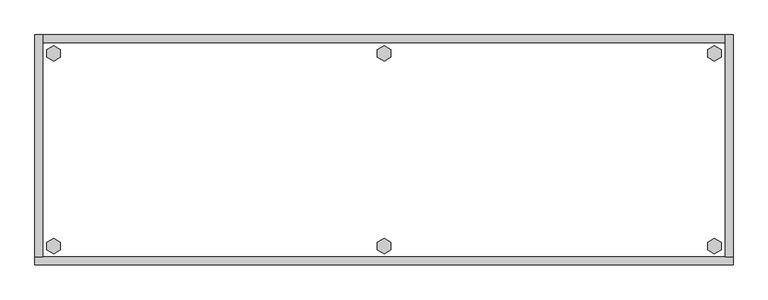
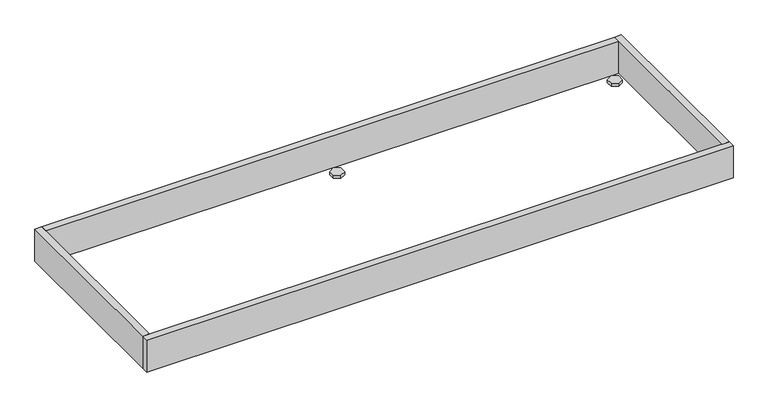
"""IFC4 building model written with IfcOpenShell, lengths in millimetres: furniture geometry."""

from ifc_helpers import new_model, si_unit, frame, origin, origin_with_axes, place, context, project, spatial, polyline, outline, extrude, source, transform, mapped, element, save


def furniture_7701f759(model_context):
    return source(origin(), model_context, "Body", "SweptSolid", [
        extrude(outline(polyline([(1615.7735422, -498.8179), (1631.7214, -489.6104), (1647.6692578, -498.8179), (1647.6692578, -517.2329), (1631.7214, -526.4404), (1615.7735422, -517.2329), (1615.7735422, -498.8179)])), origin_with_axes(), (0.0, 0.0, 1.0), 9.144),
        extrude(outline(polyline([(1615.7735422, -35.4711), (1631.7214, -26.2636), (1647.6692578, -35.4711), (1647.6692578, -53.8861), (1631.7214, -63.0936), (1615.7735422, -53.8861), (1615.7735422, -35.4711)])), origin_with_axes(), (0.0, 0.0, 1.0), 9.144),
        extrude(outline(polyline([(822.2521422, -498.8179), (838.2, -489.6104), (854.1478578, -498.8179), (854.1478578, -517.2329), (838.2, -526.4404), (822.2521422, -517.2329), (822.2521422, -498.8179)])), origin_with_axes(), (0.0, 0.0, 1.0), 9.144),
        extrude(outline(polyline([(822.2521422, -35.4711), (838.2, -26.2636), (854.1478578, -35.4711), (854.1478578, -53.8861), (838.2, -63.0936), (822.2521422, -53.8861), (822.2521422, -35.4711)])), origin_with_axes(), (0.0, 0.0, 1.0), 9.144),
        extrude(outline(polyline([(28.7307422, -498.8179), (44.6786, -489.6104), (60.6264578, -498.8179), (60.6264578, -517.2329), (44.6786, -526.4404), (28.7307422, -517.2329), (28.7307422, -498.8179)])), origin_with_axes(), (0.0, 0.0, 1.0), 9.144),
        extrude(outline(polyline([(28.7307422, -35.4711), (44.6786, -26.2636), (60.6264578, -35.4711), (60.6264578, -53.8861), (44.6786, -63.0936), (28.7307422, -53.8861), (28.7307422, -35.4711)])), origin_with_axes(), (0.0, 0.0, 1.0), 9.144),
        extrude(outline(polyline([(19.304, 0.0), (19.304, -533.4), (0.0, -533.4), (0.0, 0.0), (19.304, 0.0)])), frame((0.0, 0.0, 4.699), z_axis=(0.0, 0.0, 1.0), x_axis=(1.0, 0.0, 0.0)), (0.0, 0.0, 1.0), 96.901),
        extrude(outline(polyline([(1676.4, 0.0), (1676.4, -533.4), (1657.096, -533.4), (1657.096, 0.0), (1676.4, 0.0)])), frame((0.0, 0.0, 4.699), z_axis=(0.0, 0.0, 1.0), x_axis=(1.0, 0.0, 0.0)), (0.0, 0.0, 1.0), 96.901),
        extrude(outline(polyline([(1657.096, -19.304), (19.304, -19.304), (19.304, 0.0), (1657.096, 0.0), (1657.096, -19.304)])), frame((0.0, 0.0, 4.699), z_axis=(0.0, 0.0, 1.0), x_axis=(1.0, 0.0, 0.0)), (0.0, 0.0, 1.0), 96.901),
        extrude(outline(polyline([(1676.4, -533.4), (1676.4, -552.704), (0.0, -552.704), (0.0, -533.4), (1676.4, -533.4)])), frame((0.0, 0.0, 4.699), z_axis=(0.0, 0.0, 1.0), x_axis=(1.0, 0.0, 0.0)), (0.0, 0.0, 1.0), 96.901),
    ])


if __name__ == "__main__":
    model = new_model("IFC4")
    model_context = context("Model", 3, world=origin())
    ifc_project = project(units=[si_unit("LENGTHUNIT", "METRE", prefix="MILLI")], contexts=[model_context])
    site = spatial("IfcSite", under=ifc_project)
    building = spatial("IfcBuilding", under=site)
    placement = place(None, origin())
    furniture_shape = furniture_7701f759(model_context)
    element("IfcFurniture", 1, at=placement, inside=building, context=model_context, shape_type="MappedRepresentation", body=[
        mapped(furniture_shape, transform((0.0, 0.0, 0.0), x_axis=(1.0, 0.0, 0.0), y_axis=(0.0, 1.0, 0.0), z_axis=(0.0, 0.0, 1.0))),
    ])
    save(model, "model.ifc")
